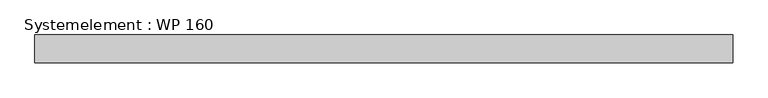
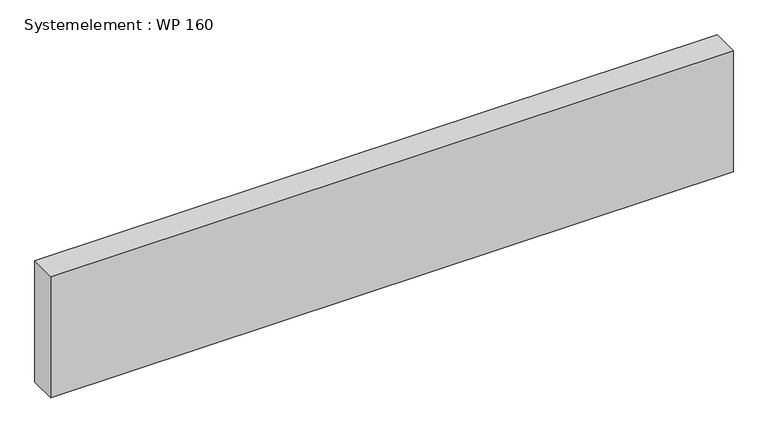
"""IFC4 building model written with IfcOpenShell, lengths in millimetres: plate geometry, Systemelement : WP 160."""

from ifc_helpers import new_model, si_unit, origin, origin_with_axes, place, context, project, spatial, polyline, outline, extrude, source, transform, mapped, element, save


def systemelement_wp_160_fab1eb1f(model_context):
    return source(origin(), model_context, "Body", "SweptSolid", [
        extrude(outline(polyline([(2000.0, -160.0), (-2000.0, -160.0), (-2000.0, 0.0), (2000.0, 0.0), (2000.0, -160.0)])), origin_with_axes(), (0.0, 0.0, 1.0), 751.6147161),
    ])


if __name__ == "__main__":
    model = new_model("IFC4")
    model_context = context("Model", 3, world=origin())
    ifc_project = project(units=[si_unit("LENGTHUNIT", "METRE", prefix="MILLI")], contexts=[model_context])
    site = spatial("IfcSite", under=ifc_project)
    building = spatial("IfcBuilding", under=site)
    placement = place(None, origin())
    systemelement_wp_160_shape = systemelement_wp_160_fab1eb1f(model_context)
    element("IfcPlate", 1, ObjectType="Systemelement : WP 160", at=placement, inside=building, context=model_context, shape_type="MappedRepresentation", body=[
        mapped(systemelement_wp_160_shape, transform((0.0, 0.0, 0.0), x_axis=(1.0, 0.0, 0.0), y_axis=(0.0, 1.0, 0.0), z_axis=(0.0, 0.0, 1.0))),
    ])
    save(model, "model.ifc")
